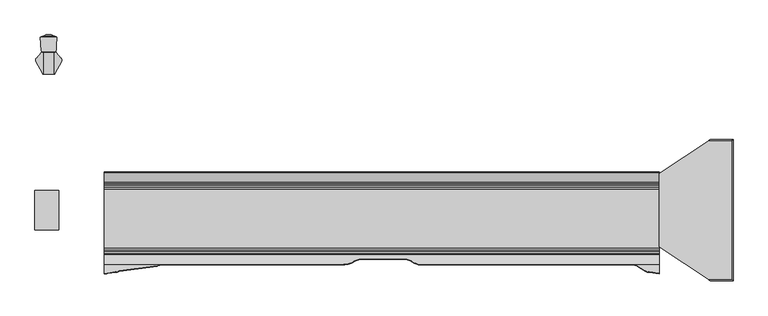
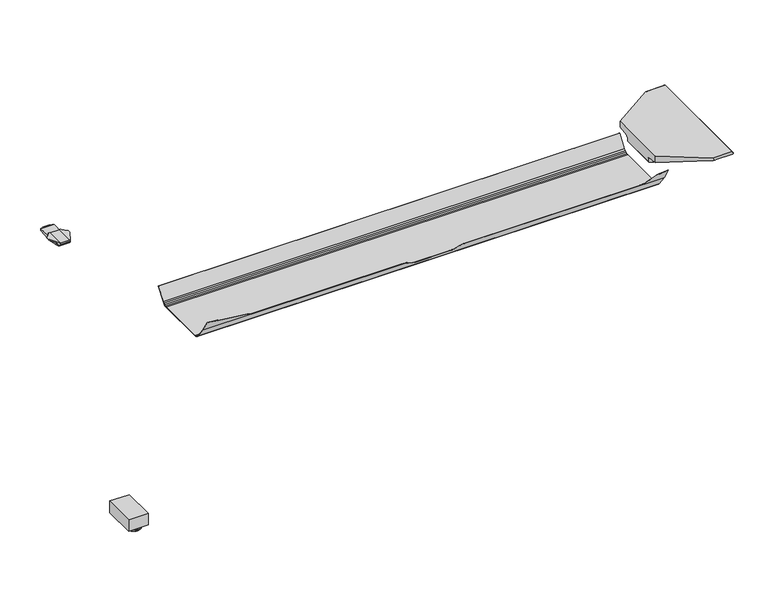
"""IFC4 building model written with IfcOpenShell, lengths in millimetres: furniture geometry."""

from ifc_helpers import new_model, si_unit, frame, origin, place, context, project, spatial, polyline, circle_curve, ellipse_curve, outline, extrude, faceted_brep, source, transform, mapped, element, save
from ifc_brep_helpers import plane_surface, cylinder_surface, revolved_surface, advanced_brep


def furniture_1ae874f6(model_context):
    return source(origin(), model_context, "Body", "SolidModel", [
        advanced_brep(
        [(-677.6331697, 1035.3629107, 694.0296), (-677.6331697, 1035.3629107, 686.7807819), (-676.51166, 1035.3629107, 686.7073914), (-676.51166, 1035.3629107, 694.0296), (-673.3278093, 1090.8360481, 690.3434106), (-673.4778673, 1090.8360481, 688.0503138), (-673.8572398, 1090.8360481, 686.5336886), (-677.6331697, 1090.8360481, 686.7807819), (-677.6331697, 1090.8360481, 694.0296), (-672.9573081, 1090.8360481, 694.0296), (-672.9573081, 1090.8360481, 690.6899631), (-659.2556977, 1066.9139785, 694.0296), (-659.2556977, 1072.0993978, 694.0296), (-661.1637879, 1075.6879936, 694.0296), (-672.9573081, 1088.886351, 694.0296), (-659.5338057, 1066.4054815, 693.0797307), (-659.5338057, 1073.0132231, 693.0797307), (-660.124758, 1065.3249752, 692.2860291), (-660.124758, 1074.2706722, 692.2860291), (-661.0021754, 1063.7206918, 691.7477625), (-661.0021754, 1075.5058073, 691.7477625), (-663.834924, 1058.5412505, 691.5301886), (-663.834924, 1078.6773138, 691.5301886), (-661.1637879, 1075.6879936, 691.7353496), (-672.05964, 1043.5030529, 691.5296072), (-672.05964, 1087.8817532, 691.5296072), (-673.3278093, 1041.1843125, 690.3434106), (-672.9573081, 1088.886351, 690.6899631), (-673.4778673, 1040.9099441, 688.0503138), (-673.8572398, 1040.2162936, 686.5336886)],
        [
            (0, 1),
            (1, 2),
            (2, 3),
            (3, 0),
            (4, 5),
            (5, 6),
            (6, 7),
            (7, 8),
            (8, 9),
            (9, 10),
            (10, 4),
            (8, 0),
            (3, 11),
            (11, 12),
            (12, 13, circle_curve(frame((-667.1824137, 1070.1862608, 694.0296), z_axis=(0.0, 0.0, 1.0), x_axis=(-1.0000000000000004, 0.0, 0.0)), 8.1543192)),
            (13, 14),
            (14, 9),
            (11, 15),
            (15, 16),
            (16, 12, ellipse_curve(frame((-667.1824137, 1070.1862608, 666.9561466), z_axis=(0.9597108497777287, 0.0, -0.28098947456961787), x_axis=(-0.28098947456961787, 0.0, -0.9597108497777287)), 29.0200165, 8.1543192)),
            (15, 17),
            (17, 18),
            (18, 16, ellipse_curve(frame((-667.1824137, 1070.1862608, 682.8069691), z_axis=(0.8020925083963487, 0.0, -0.5971998057387943), x_axis=(-0.5971998057387944, 0.0, -0.8020925083963485)), 13.6542563, 8.1543192)),
            (17, 19),
            (19, 20),
            (20, 18, ellipse_curve(frame((-667.1824137, 1070.1862608, 687.9563905), z_axis=(0.5229113139159308, 0.0, -0.8523870938597763), x_axis=(-0.8523870938597765, 0.0, -0.5229113139159306)), 9.5664508, 8.1543192)),
            (19, 21),
            (21, 22),
            (22, 23),
            (23, 20, ellipse_curve(frame((-667.1824137, 1070.1862608, 691.2730791), z_axis=(0.07658109560408619, 0.0, -0.9970633559589269), x_axis=(-0.9970633559589269, 0.0, -0.07658109560408602)), 8.178336, 8.1543192)),
            (21, 24),
            (24, 25),
            (25, 22),
            (26, 4),
            (10, 27),
            (27, 25),
            (24, 26),
            (26, 28),
            (28, 5),
            (28, 29),
            (29, 6),
            (29, 2),
            (1, 7),
            (27, 14),
            (13, 23),
        ],
        [
            plane_surface(frame((-677.6331697, 1035.3629107, 686.6122475), z_axis=(0.0, -1.0, 0.0), x_axis=(0.0, 0.0, -1.0))),
            plane_surface(frame((-677.6331697, 1090.8360481, 686.6122475), z_axis=(0.0, 1.0, 0.0), x_axis=(0.0, 0.0, 1.0))),
            plane_surface(frame((-659.2556977, 1035.3629107, 694.0296), z_axis=(0.0, 0.0, 1.0), x_axis=(0.0, 1.0, 0.0))),
            plane_surface(frame((-659.5338057, 1035.3629107, 693.0797307), z_axis=(0.9597108497777287, 0.0, -0.28098947456961787), x_axis=(0.0, 1.0, 0.0))),
            plane_surface(frame((-660.124758, 1035.3629107, 692.2860291), z_axis=(0.8020925083963485, 0.0, -0.5971998057387942), x_axis=(0.0, 1.0, 0.0))),
            plane_surface(frame((-661.0021754, 1035.3629107, 691.7477625), z_axis=(0.5229113139159308, 0.0, -0.8523870938597763), x_axis=(0.0, 1.0, 0.0))),
            plane_surface(frame((-663.834924, 1035.3629107, 691.5301886), z_axis=(0.07658109560408619, 0.0, -0.9970633559589269), x_axis=(0.0, 1.0, 0.0))),
            plane_surface(frame((-672.05964, 1035.3629107, 691.5296072), z_axis=(7.068449081192282e-05, 0.0, -0.9999999975018514), x_axis=(0.0, 1.0, 0.0))),
            plane_surface(frame((-673.3278093, 1035.3629107, 690.3434106), z_axis=(0.6831094450823832, 0.0, -0.7303160179259652), x_axis=(0.0, 1.0, 0.0))),
            plane_surface(frame((-673.4778673, 1035.3629107, 688.0503138), z_axis=(0.9978657180161974, 0.0, -0.06529937831265216), x_axis=(0.0, 1.0, 0.0))),
            plane_surface(frame((-673.8572398, 1035.3629107, 686.5336886), z_axis=(0.9701099565798296, 0.0, -0.24266576220118338), x_axis=(0.0, 1.0, 0.0))),
            plane_surface(frame((-677.6331697, 1035.3629107, 686.7807819), z_axis=(-0.0652993783126831, 0.0, -0.9978657180161954), x_axis=(0.0, 1.0, 0.0))),
            plane_surface(frame((-677.6331697, 1035.3629107, 694.0296), z_axis=(-1.0, 0.0, 0.0), x_axis=(0.0, 1.0, 0.0))),
            plane_surface(frame((-658.8963549, 1067.5710064, 723.9510045), z_axis=(0.8773539056662253, -0.47984385399025414, 0.0), x_axis=(0.0, 0.0, -1.0))),
            plane_surface(frame((-672.9573081, 1088.886351, 700.8234547), z_axis=(0.7456773398656502, 0.6663072150373937, 0.0), x_axis=(0.0, 0.0, -1.0))),
            plane_surface(frame((-672.9573081, 1092.0626773, 700.8234547), z_axis=(1.0, 0.0, 0.0), x_axis=(0.0, 0.0, -1.0))),
            cylinder_surface(frame((-667.1824137, 1070.1862608, 1.4760878), z_axis=(0.0, 0.0, -1.0), x_axis=(-1.0000000000000004, 0.0, 0.0)), 8.1543192),
        ],
        [
            (0, [[1, 2, 3, 4]]),
            (1, [[5, 6, 7, 8, 9, 10, 11]]),
            (2, [[12, -4, 13, 14, 15, 16, 17, -9]]),
            (3, [[18, 19, 20, -14]]),
            (4, [[21, 22, 23, -19]]),
            (5, [[24, 25, 26, -22]]),
            (6, [[27, 28, 29, 30, -25]]),
            (7, [[31, 32, 33, -28]]),
            (8, [[34, -11, 35, 36, -32, 37]]),
            (9, [[-5, -34, 38, 39]]),
            (10, [[-6, -39, 40, 41]]),
            (11, [[-7, -41, 42, -2, 43]]),
            (12, [[-1, -12, -8, -43]]),
            (13, [[-3, -42, -40, -38, -37, -31, -27, -24, -21, -18, -13]]),
            (14, [[44, -16, 45, -29, -33, -36]]),
            (15, [[-44, -35, -10, -17]]),
            (16, [[-15, -20, -23, -26, -30, -45]]),
        ],
    ),
        advanced_brep(
        [(-706.2096303, 1035.3629107, 686.7807819), (-706.2096303, 1035.3629107, 694.0296), (-707.33114, 1035.3629107, 694.0296), (-707.33114, 1035.3629107, 686.7073914), (-706.2096303, 1090.8360481, 694.0296), (-706.2096303, 1090.8360481, 686.7807819), (-709.9855602, 1090.8360481, 686.5336886), (-710.3649327, 1090.8360481, 688.0503138), (-710.5149907, 1090.8360481, 690.3434106), (-710.8854919, 1090.8360481, 690.6899631), (-710.8854919, 1090.8360481, 694.0296), (-710.8854919, 1088.886351, 694.0296), (-722.6790121, 1075.6879936, 694.0296), (-724.5871023, 1072.0993978, 694.0296), (-724.5871023, 1066.9139785, 694.0296), (-724.3089943, 1066.4054815, 693.0797307), (-724.3089943, 1073.0132231, 693.0797307), (-723.718042, 1065.3249752, 692.2860291), (-723.718042, 1074.2706722, 692.2860291), (-722.8406246, 1063.7206918, 691.7477625), (-722.8406246, 1075.5058073, 691.7477625), (-720.007876, 1058.5412505, 691.5301886), (-722.6790121, 1075.6879936, 691.7353496), (-720.007876, 1078.6773138, 691.5301886), (-711.78316, 1043.5030529, 691.5296072), (-711.78316, 1087.8817532, 691.5296072), (-710.5149907, 1041.1843125, 690.3434106), (-710.8854919, 1088.886351, 690.6899631), (-710.3649327, 1040.9099441, 688.0503138), (-709.9855602, 1040.2162936, 686.5336886)],
        [
            (0, 1),
            (1, 2),
            (2, 3),
            (3, 0),
            (4, 5),
            (5, 6),
            (6, 7),
            (7, 8),
            (8, 9),
            (9, 10),
            (10, 4),
            (1, 4),
            (10, 11),
            (11, 12),
            (12, 13, circle_curve(frame((-716.6603863, 1070.1862608, 694.0296), z_axis=(0.0, 0.0, 1.0), x_axis=(1.0000000000000004, 0.0, 0.0)), 8.1543192)),
            (13, 14),
            (14, 2),
            (15, 14),
            (13, 16, ellipse_curve(frame((-716.6603863, 1070.1862608, 666.9561466), z_axis=(-0.9597108497777287, 0.0, -0.28098947456961787), x_axis=(0.28098947456961787, 0.0, -0.9597108497777287)), 29.0200165, 8.1543192)),
            (16, 15),
            (17, 15),
            (16, 18, ellipse_curve(frame((-716.6603863, 1070.1862608, 682.8069691), z_axis=(-0.8020925083963487, 0.0, -0.5971998057387943), x_axis=(0.5971998057387944, 0.0, -0.8020925083963485)), 13.6542563, 8.1543192)),
            (18, 17),
            (19, 17),
            (18, 20, ellipse_curve(frame((-716.6603863, 1070.1862608, 687.9563905), z_axis=(-0.5229113139159308, 0.0, -0.8523870938597763), x_axis=(0.8523870938597765, 0.0, -0.5229113139159306)), 9.5664508, 8.1543192)),
            (20, 19),
            (21, 19),
            (20, 22, ellipse_curve(frame((-716.6603863, 1070.1862608, 691.2730791), z_axis=(-0.07658109560408913, 0.0, -0.9970633559589267), x_axis=(0.9970633559589267, 0.0, -0.07658109560408889)), 8.178336, 8.1543192)),
            (22, 23),
            (23, 21),
            (24, 21),
            (23, 25),
            (25, 24),
            (8, 26),
            (26, 24),
            (25, 27),
            (27, 9),
            (7, 28),
            (28, 26),
            (6, 29),
            (29, 28),
            (5, 0),
            (3, 29),
            (11, 27),
            (22, 12),
        ],
        [
            plane_surface(frame((-708.2451645, 1035.3629107, 694.0296), z_axis=(0.0, -1.0, 0.0), x_axis=(-1.0, 0.0, 0.0))),
            plane_surface(frame((-708.2451645, 1090.8360481, 694.0296), z_axis=(0.0, 1.0, 0.0), x_axis=(1.0, 0.0, 0.0))),
            plane_surface(frame((-706.2096303, 1035.3629107, 694.0296), z_axis=(0.0, 0.0, 1.0), x_axis=(0.0, 1.0, 0.0))),
            plane_surface(frame((-724.5871023, 1035.3629107, 694.0296), z_axis=(-0.9597108497777287, 0.0, -0.28098947456961787), x_axis=(0.0, 1.0, 0.0))),
            plane_surface(frame((-724.3089943, 1035.3629107, 693.0797307), z_axis=(-0.8020925083963485, 0.0, -0.5971998057387942), x_axis=(0.0, 1.0, 0.0))),
            plane_surface(frame((-723.718042, 1035.3629107, 692.2860291), z_axis=(-0.5229113139159308, 0.0, -0.8523870938597763), x_axis=(0.0, 1.0, 0.0))),
            plane_surface(frame((-722.8406246, 1035.3629107, 691.7477625), z_axis=(-0.07658109560408913, 0.0, -0.9970633559589267), x_axis=(0.0, 1.0, 0.0))),
            plane_surface(frame((-720.007876, 1035.3629107, 691.5301886), z_axis=(-7.068449081192188e-05, 0.0, -0.9999999975018514), x_axis=(0.0, 1.0, 0.0))),
            plane_surface(frame((-711.78316, 1035.3629107, 691.5296072), z_axis=(-0.683109445082383, 0.0, -0.7303160179259655), x_axis=(0.0, 1.0, 0.0))),
            plane_surface(frame((-710.5149907, 1035.3629107, 690.3434106), z_axis=(-0.9978657180161974, 0.0, -0.06529937831265216), x_axis=(0.0, 1.0, 0.0))),
            plane_surface(frame((-710.3649327, 1035.3629107, 688.0503138), z_axis=(-0.9701099565798296, 0.0, -0.24266576220118338), x_axis=(0.0, 1.0, 0.0))),
            plane_surface(frame((-709.9855602, 1035.3629107, 686.5336886), z_axis=(0.06529937831268308, 0.0, -0.9978657180161954), x_axis=(0.0, 1.0, 0.0))),
            plane_surface(frame((-706.2096303, 1035.3629107, 686.7807819), z_axis=(1.0, 0.0, 0.0), x_axis=(0.0, 1.0, 0.0))),
            plane_surface(frame((-707.33114, 1035.3629107, 723.9510045), z_axis=(-0.8773539056662313, -0.47984385399024304, 0.0), x_axis=(0.0, 0.0, -1.0))),
            plane_surface(frame((-722.6790121, 1075.6879936, 700.8234547), z_axis=(-0.7456773398656418, 0.6663072150374032, 0.0), x_axis=(0.0, 0.0, -1.0))),
            plane_surface(frame((-710.8854919, 1088.886351, 700.8234547), z_axis=(-1.0, 0.0, 0.0), x_axis=(0.0, 0.0, -1.0))),
            cylinder_surface(frame((-716.6603863, 1070.1862608, 1.4760878), z_axis=(0.0, 0.0, -1.0), x_axis=(1.0000000000000004, 0.0, 0.0)), 8.1543192),
        ],
        [
            (0, [[1, 2, 3, 4]]),
            (1, [[5, 6, 7, 8, 9, 10, 11]]),
            (2, [[12, -11, 13, 14, 15, 16, 17, -2]]),
            (3, [[18, -16, 19, 20]]),
            (4, [[21, -20, 22, 23]]),
            (5, [[24, -23, 25, 26]]),
            (6, [[27, -26, 28, 29, 30]]),
            (7, [[31, -30, 32, 33]]),
            (8, [[34, 35, -33, 36, 37, -9]]),
            (9, [[-8, 38, 39, -34]]),
            (10, [[-7, 40, 41, -38]]),
            (11, [[-6, 42, -4, 43, -40]]),
            (12, [[-1, -42, -5, -12]]),
            (13, [[-3, -17, -18, -21, -24, -27, -31, -35, -39, -41, -43]]),
            (14, [[44, -36, -32, -29, 45, -14]]),
            (15, [[-44, -13, -10, -37]]),
            (16, [[-15, -45, -28, -25, -22, -19]]),
        ],
    ),
        advanced_brep(
        [(-675.4317452, 1071.8221315, 674.5336243), (-675.4317452, 1075.69635, 673.7476984), (-675.4317452, 1077.8255805, 673.4744593), (-675.4317452, 1079.7968627, 673.3319535), (-675.4317452, 1081.8293332, 673.3469235), (-675.4317452, 1083.8692159, 673.5954548), (-675.4317452, 1091.5328833, 686.6122475), (-675.4317452, 1090.6843523, 694.0296), (-675.4317452, 1054.9216797, 694.0296), (-675.4317452, 1054.9216797, 678.5692428), (-708.2451645, 1090.6843523, 694.0296), (-708.2451645, 1091.5328833, 686.6122475), (-708.2451645, 1083.8692159, 673.5954548), (-708.2451645, 1081.8293332, 673.3469235), (-708.2451645, 1079.7968627, 673.3319535), (-708.2451645, 1077.8255805, 673.4744593), (-708.2451645, 1075.69635, 673.7476984), (-708.2451645, 1071.8221315, 674.5336243), (-708.2451645, 1056.025686, 678.3056198), (-708.2451645, 1056.025686, 694.0296), (-707.3063131, 1035.6569826, 694.0296), (-705.6193974, 1034.3300886, 694.0296), (-678.0066255, 1034.3300886, 694.0296), (-676.3197098, 1035.6569826, 694.0296), (-706.4875126, 1034.5633955, 690.6933211), (-677.1385102, 1034.5633955, 690.6933211), (-706.8291096, 1034.8218463, 689.098215), (-676.7969133, 1034.8218463, 689.098215), (-707.1802739, 1035.3072455, 687.5746161), (-676.445749, 1035.3072455, 687.5746161), (-707.3063131, 1035.6569826, 686.8818029), (-707.3229046, 1036.0169405, 686.1687426), (-676.3031183, 1036.0169405, 686.1687426), (-676.3197098, 1035.6569826, 686.8818029), (-707.3646804, 1036.9232806, 684.9103165), (-676.2613425, 1036.9232806, 684.9103165), (-707.4167075, 1038.0520271, 683.7736853), (-676.2093154, 1038.0520271, 683.7736853), (-707.541025, 1040.7491372, 682.1070719), (-676.0849979, 1040.7491372, 682.1070719), (-707.6116573, 1042.2815291, 681.5875542), (-676.0143656, 1042.2815291, 681.5875542)],
        [
            (0, 1),
            (1, 2),
            (2, 3),
            (3, 4),
            (4, 5),
            (5, 6),
            (6, 7),
            (7, 8),
            (8, 9),
            (9, 0),
            (10, 11),
            (11, 12),
            (12, 13),
            (13, 14),
            (14, 15),
            (15, 16),
            (16, 17),
            (17, 18),
            (18, 19),
            (19, 10),
            (7, 10),
            (19, 20),
            (20, 21, circle_curve(frame((-705.6177592, 1036.0679286, 694.0296), z_axis=(0.0, 0.0, 1.0), x_axis=(1.0000000000000004, 0.0, 0.0)), 1.7378408)),
            (21, 22),
            (22, 23, circle_curve(frame((-678.0082636, 1036.0679286, 694.0296), z_axis=(0.0, 0.0, 1.0), x_axis=(-1.0000000000000004, 0.0, 0.0)), 1.7378408)),
            (23, 8),
            (21, 24, ellipse_curve(frame((-705.6177592, 1036.0679286, 669.1785681), z_axis=(0.0, -0.997563808233696, -0.06975993479273002), x_axis=(0.0, 0.06975993479273002, -0.997563808233696)), 24.9117327, 1.7378408)),
            (24, 25),
            (25, 22, ellipse_curve(frame((-678.0082636, 1036.0679286, 669.1785681), z_axis=(0.0, -0.997563808233696, -0.06975993479273002), x_axis=(0.0, 0.06975993479273002, -0.997563808233696)), 24.9117327, 1.7378408)),
            (24, 26, ellipse_curve(frame((-705.6177592, 1036.0679286, 681.4076466), z_axis=(0.0, -0.9871264986508672, -0.15994147573809486), x_axis=(0.0, 0.15994147573809486, -0.9871264986508672)), 10.8654796, 1.7378408)),
            (26, 27),
            (27, 25, ellipse_curve(frame((-678.0082636, 1036.0679286, 681.4076466), z_axis=(0.0, -0.9871264986508672, -0.15994147573809486), x_axis=(0.0, 0.15994147573809486, -0.9871264986508672)), 10.8654796, 1.7378408)),
            (26, 28, ellipse_curve(frame((-705.6177592, 1036.0679286, 685.1869399), z_axis=(0.0, -0.9528141049574114, -0.3035544125757477), x_axis=(0.0, 0.3035544125757477, -0.9528141049574111)), 5.7249731, 1.7378408)),
            (28, 29),
            (29, 27, ellipse_curve(frame((-678.0082636, 1036.0679286, 685.1869399), z_axis=(0.0, -0.9528141049574114, -0.3035544125757477), x_axis=(0.0, 0.3035544125757477, -0.9528141049574111)), 5.7249731, 1.7378408)),
            (30, 31),
            (31, 32),
            (32, 33),
            (33, 29, ellipse_curve(frame((-678.0082636, 1036.0679286, 686.0677375), z_axis=(0.0, -0.8927040411549354, -0.45064342323576334), x_axis=(0.0, 0.45064342323576334, -0.8927040411549354)), 3.8563546, 1.7378408)),
            (28, 30, ellipse_curve(frame((-705.6177592, 1036.0679286, 686.0677375), z_axis=(0.0, -0.8927040411549354, -0.45064342323576334), x_axis=(0.0, 0.45064342323576334, -0.8927040411549354)), 3.8563546, 1.7378408)),
            (31, 34),
            (34, 35),
            (35, 32),
            (34, 36),
            (36, 37),
            (37, 35),
            (36, 38),
            (38, 39),
            (39, 37),
            (38, 40),
            (40, 41),
            (41, 39),
            (17, 0),
            (9, 41),
            (40, 18),
            (16, 1),
            (15, 2),
            (14, 3),
            (13, 4),
            (12, 5),
            (11, 6),
            (30, 20),
            (23, 33),
        ],
        [
            plane_surface(frame((-675.4317452, 1076.1474125, 694.0296), z_axis=(1.0, 0.0, 0.0), x_axis=(0.0, -1.0, 0.0))),
            plane_surface(frame((-708.2451645, 1076.1474125, 694.0296), z_axis=(-1.0, 0.0, 0.0), x_axis=(0.0, 1.0, 0.0))),
            plane_surface(frame((-675.4317452, 1090.6843523, 694.0296), z_axis=(0.0, 0.0, 1.0), x_axis=(-1.0, 0.0, 0.0))),
            plane_surface(frame((-675.4317452, 1034.3300886, 694.0296), z_axis=(0.0, -0.997563808233696, -0.06975993479273002), x_axis=(-1.0, 0.0, 0.0))),
            plane_surface(frame((-675.4317452, 1034.5633955, 690.6933211), z_axis=(0.0, -0.9871264986508672, -0.15994147573809486), x_axis=(-1.0, 0.0, 0.0))),
            plane_surface(frame((-675.4317452, 1034.8218463, 689.098215), z_axis=(0.0, -0.9528141049574114, -0.3035544125757477), x_axis=(-1.0, 0.0, 0.0))),
            plane_surface(frame((-675.4317452, 1035.3072455, 687.5746161), z_axis=(0.0, -0.8927040411549354, -0.45064342323576334), x_axis=(-1.0, 0.0, 0.0))),
            plane_surface(frame((-675.4317452, 1036.0169405, 686.1687426), z_axis=(0.0, -0.8114507875380343, -0.5844207554526992), x_axis=(-1.0, 0.0, 0.0))),
            plane_surface(frame((-675.4317452, 1036.9232806, 684.9103165), z_axis=(0.0, -0.7095635828811538, -0.704641413662907), x_axis=(-1.0, 0.0, 0.0))),
            plane_surface(frame((-675.4317452, 1038.0520271, 683.7736853), z_axis=(0.0, -0.5256643953018257, -0.8506920379972802), x_axis=(-1.0, 0.0, 0.0))),
            plane_surface(frame((-675.4317452, 1040.7491372, 682.1070719), z_axis=(0.0, -0.32107410172322687, -0.9470540751206464), x_axis=(-1.0, 0.0, 0.0))),
            plane_surface(frame((-675.4317452, 1042.2815291, 681.5875542), z_axis=(0.0, -0.23225778917580214, -0.9726542650742702), x_axis=(-1.0, 0.0, 0.0))),
            plane_surface(frame((-675.4317452, 1071.8221315, 674.5336243), z_axis=(0.0, -0.1988109622365402, -0.9800378570721546), x_axis=(-1.0, 0.0, 0.0))),
            plane_surface(frame((-675.4317452, 1075.69635, 673.7476984), z_axis=(0.0, -0.12728387031952282, -0.9918663298834591), x_axis=(-1.0, 0.0, 0.0))),
            plane_surface(frame((-675.4317452, 1077.8255805, 673.4744593), z_axis=(0.0, -0.07210277493300893, -0.997397207659496), x_axis=(-1.0, 0.0, 0.0))),
            plane_surface(frame((-675.4317452, 1079.7968627, 673.3319535), z_axis=(0.0, 0.007365229187275849, -0.9999728763316628), x_axis=(-1.0, 0.0, 0.0))),
            plane_surface(frame((-675.4317452, 1081.8293332, 673.3469235), z_axis=(0.0, 0.12094176610084176, -0.992659603898743), x_axis=(-1.0, 0.0, 0.0))),
            plane_surface(frame((-675.4317452, 1083.8692159, 673.5954548), z_axis=(0.0, 0.8617394273144984, -0.5073511204399574), x_axis=(-1.0, 0.0, 0.0))),
            plane_surface(frame((-675.4317452, 1091.5328833, 686.6122475), z_axis=(0.0, 0.9935200698495489, 0.11365681152551964), x_axis=(-1.0, 0.0, 0.0))),
            plane_surface(frame((-707.3063131, 1035.6569826, 707.5184518), z_axis=(-0.9989394147117109, -0.04604395438518194, 0.0), x_axis=(0.0, 0.0, -1.0))),
            cylinder_surface(frame((-705.6177592, 1036.0679286, 664.7059687), z_axis=(0.0, 0.0, -1.0), x_axis=(1.0000000000000004, 0.0, 0.0)), 1.7378408),
            plane_surface(frame((-673.6404627, 1093.7841689, 707.5184518), z_axis=(0.9989394147117103, -0.046043954385194555, 0.0), x_axis=(0.0, 0.0, -1.0))),
            cylinder_surface(frame((-678.0082636, 1036.0679286, 664.7059687), z_axis=(0.0, 0.0, -1.0), x_axis=(-1.0000000000000004, 0.0, 0.0)), 1.7378408),
        ],
        [
            (0, [[1, 2, 3, 4, 5, 6, 7, 8, 9, 10]]),
            (1, [[11, 12, 13, 14, 15, 16, 17, 18, 19, 20]]),
            (2, [[21, -20, 22, 23, 24, 25, 26, -8]]),
            (3, [[27, 28, 29, -24]]),
            (4, [[30, 31, 32, -28]]),
            (5, [[33, 34, 35, -31]]),
            (6, [[36, 37, 38, 39, -34, 40]]),
            (7, [[41, 42, 43, -37]]),
            (8, [[44, 45, 46, -42]]),
            (9, [[47, 48, 49, -45]]),
            (10, [[50, 51, 52, -48]]),
            (11, [[53, -10, 54, -51, 55, -18]]),
            (12, [[-1, -53, -17, 56]]),
            (13, [[-2, -56, -16, 57]]),
            (14, [[-3, -57, -15, 58]]),
            (15, [[-4, -58, -14, 59]]),
            (16, [[-5, -59, -13, 60]]),
            (17, [[-6, -60, -12, 61]]),
            (18, [[-7, -61, -11, -21]]),
            (19, [[62, -22, -19, -55, -50, -47, -44, -41, -36]]),
            (20, [[-62, -40, -33, -30, -27, -23]]),
            (21, [[63, -38, -43, -46, -49, -52, -54, -9, -26]]),
            (22, [[-63, -25, -29, -32, -35, -39]]),
        ],
    ),
        faceted_brep([(-674.201947, 1080.6280076, 686.044488), (-674.0056147, 1083.5645158, 686.8903046), (-709.5145074, 1083.5645158, 686.8903046), (-709.3791554, 1080.6280076, 686.044488), (-674.3465732, 1078.4648583, 684.1507699), (-709.2794497, 1078.4648583, 684.1507699), (-674.4145724, 1077.4478055, 681.8837571), (-709.2325708, 1077.4478055, 681.8837571), (-674.4293768, 1077.2263801, 680.5487368), (-709.2223647, 1077.2263801, 680.5487368), (-674.4261142, 1077.275178, 679.266911), (-709.2246139, 1077.275178, 679.266911), (-674.4106539, 1077.5064139, 677.9856665), (-709.2352722, 1077.5064139, 677.9856665), (-674.3493839, 1078.4228187, 676.147552), (-709.2775119, 1078.4228187, 676.147552), (-674.2326986, 1080.168061, 674.4888596), (-709.3579551, 1080.168061, 674.4888596), (-674.0544858, 1082.8335597, 673.4638495), (-709.4808155, 1082.8335597, 673.4638495), (-673.962786, 1084.2050966, 673.3923422), (-709.5440336, 1084.2050966, 673.3923422), (-671.0473822, 1127.8102838, 680.0595952), (-709.9855602, 1093.7841689, 674.8569867), (-710.5204622, 1093.7841689, 674.8569867), (-712.7954178, 1127.8102838, 680.0595952), (-671.0040016, 1128.4591207, 680.1595153), (-712.8387984, 1128.4591207, 680.1595153), (-711.416104, 1129.5267851, 680.3239343), (-708.0218056, 1130.7760911, 680.516326), (-675.8209944, 1130.7760911, 680.516326), (-672.426696, 1129.5267851, 680.3239343), (-681.0962098, 1132.7176878, 680.8136916), (-702.7465902, 1132.7176878, 680.8136916), (-685.3723762, 1134.2915742, 681.9486514), (-698.4704238, 1134.2915742, 681.9486514), (-685.0005958, 1134.1547367, 684.2460402), (-698.8422042, 1134.1547367, 684.2460402), (-680.5815491, 1132.5282616, 685.1806857), (-703.2612509, 1132.5282616, 685.1806857), (-673.1840778, 1129.8055472, 685.2767186), (-710.6587222, 1129.8055472, 685.2767186), (-671.0040016, 1128.4591207, 685.3237023), (-672.426696, 1129.5267851, 685.286446), (-711.416104, 1129.5267851, 685.286446), (-712.8387984, 1128.4591207, 685.3237023), (-710.5204622, 1093.7841689, 686.5336886), (-709.9855602, 1093.7841689, 686.5336886)], [[[0, 1, 2, 3]], [[4, 0, 3, 5]], [[6, 4, 5, 7]], [[8, 6, 7, 9]], [[10, 8, 9, 11]], [[12, 10, 11, 13]], [[14, 12, 13, 15]], [[16, 14, 15, 17]], [[18, 16, 17, 19]], [[20, 18, 19, 21]], [[22, 20, 21, 23, 24, 25]], [[26, 22, 25, 27, 28, 29, 30, 31]], [[32, 30, 29, 33]], [[34, 32, 33, 35]], [[36, 34, 35, 37]], [[38, 36, 37, 39]], [[40, 38, 39, 41]], [[1, 42, 43, 40, 41, 44, 45, 46, 47, 2]], [[26, 42, 1, 0, 4, 6, 8, 10, 12, 14, 16, 18, 20, 22]], [[43, 31, 30, 32, 34, 36, 38, 40]], [[42, 26, 31, 43]], [[47, 23, 21, 19, 17, 15, 13, 11, 9, 7, 5, 3, 2]], [[23, 47, 46, 24]], [[45, 27, 25, 24, 46]], [[28, 44, 41, 39, 37, 35, 33, 29]], [[44, 28, 27, 45]]]),
        advanced_brep(
        [(-696.976, 671.3030475, 10.2361894), (-696.976, 657.2832975, 10.2361894), (-696.976, 657.6704727, 8.7946116), (-696.976, 670.9158723, 8.7946116), (-696.976, 664.2931725, 10.2361894), (-696.976, 685.2500609, 0.0), (-696.976, 643.3362842, 0.0), (-696.976, 664.2931725, 0.0), (-696.976, 686.7937912, 1.5436985), (-696.976, 641.7925538, 1.5436985), (-696.976, 686.7937365, 4.1072626), (-696.976, 641.7926085, 4.1072626), (-696.976, 685.2538961, 5.9174378), (-696.976, 643.3324489, 5.9174378)],
        [
            (0, 1, circle_curve(frame((-696.976, 664.2931725, 10.2361894), z_axis=(0.0, 0.0, -1.0), x_axis=(0.0, -1.0000000000000004, 0.0)), 7.009875)),
            (1, 2),
            (2, 3, circle_curve(frame((-696.976, 664.2931725, 8.7946116), z_axis=(0.0, 0.0, 1.0), x_axis=(0.0, -1.0000000000000004, 0.0)), 6.6226998)),
            (3, 0),
            (1, 0, circle_curve(frame((-696.976, 664.2931725, 10.2361894), z_axis=(0.0, 0.0, -1.0), x_axis=(0.0, -1.0000000000000004, 0.0)), 7.009875)),
            (3, 2, circle_curve(frame((-696.976, 664.2931725, 8.7946116), z_axis=(0.0, 0.0, 1.0), x_axis=(0.0, -1.0000000000000004, 0.0)), 6.6226998)),
            (4, 1),
            (0, 4),
            (5, 6, circle_curve(frame((-696.976, 664.2931725, 0.0), z_axis=(0.0, 0.0, -1.0), x_axis=(0.0, -1.0000000000000004, 0.0)), 20.9568884)),
            (6, 7),
            (7, 5),
            (6, 5, circle_curve(frame((-696.976, 664.2931725, 0.0), z_axis=(0.0, 0.0, -1.0), x_axis=(0.0, -1.0000000000000004, 0.0)), 20.9568884)),
            (8, 9, circle_curve(frame((-696.976, 664.2931725, 1.5436985), z_axis=(0.0, 0.0, -1.0), x_axis=(0.0, -1.0000000000000004, 0.0)), 22.5006187)),
            (9, 6),
            (5, 8),
            (9, 8, circle_curve(frame((-696.976, 664.2931725, 1.5436985), z_axis=(0.0, 0.0, -1.0), x_axis=(0.0, -1.0000000000000004, 0.0)), 22.5006187)),
            (10, 11, circle_curve(frame((-696.976, 664.2931725, 4.1072626), z_axis=(0.0, 0.0, -1.0), x_axis=(0.0, -1.0000000000000004, 0.0)), 22.500564)),
            (11, 9),
            (8, 10),
            (11, 10, circle_curve(frame((-696.976, 664.2931725, 4.1072626), z_axis=(0.0, 0.0, -1.0), x_axis=(0.0, -1.0000000000000004, 0.0)), 22.500564)),
            (12, 13, circle_curve(frame((-696.976, 664.2931725, 5.9174378), z_axis=(0.0, 0.0, -1.0), x_axis=(0.0, -1.0000000000000004, 0.0)), 20.9607236)),
            (13, 11),
            (10, 12),
            (13, 12, circle_curve(frame((-696.976, 664.2931725, 5.9174378), z_axis=(0.0, 0.0, -1.0), x_axis=(0.0, -1.0000000000000004, 0.0)), 20.9607236)),
            (2, 13),
            (12, 3),
        ],
        [
            revolved_surface(polyline([(-696.976, 657.6704727, 8.7946116), (-696.976, 657.2832975, 10.2361894)]), (-696.976, 664.2931725, 0.0), (0.0, 0.0, 1.0)),
            plane_surface(frame((-696.976, 664.2931725, 10.2361894), z_axis=(0.0, 0.0, 1.0), x_axis=(0.0, -1.0, 0.0))),
            plane_surface(frame((-696.976, 664.2931725, 0.0), z_axis=(0.0, 0.0, -1.0), x_axis=(0.0, -1.0, 0.0))),
            revolved_surface(polyline([(-696.976, 643.3362842, 0.0), (-696.976, 641.7925538, 1.5436985)]), (-696.976, 664.2931725, 0.0), (0.0, 0.0, 1.0)),
            cylinder_surface(frame((-696.976, 664.2931725, 0.0), z_axis=(0.0, 0.0, 1.0), x_axis=(0.0, -1.0000000000000004, 0.0)), 22.500564),
            revolved_surface(polyline([(-696.976, 641.792463, 4.1072626), (-696.976, 643.3324489, 5.9174378)]), (-696.976, 664.2931725, 0.0), (0.0, 0.0, 1.0)),
            revolved_surface(polyline([(-696.976, 643.3324489, 5.9174378), (-696.976, 657.6704727, 8.7946116)]), (-696.976, 664.2931725, 0.0), (0.0, 0.0, 1.0)),
        ],
        [
            (0, [[1, 2, 3, 4]]),
            (0, [[5, -4, 6, -2]]),
            (1, [[7, -1, 8]]),
            (1, [[-8, -5, -7]]),
            (2, [[9, 10, 11]]),
            (2, [[12, -11, -10]]),
            (3, [[13, 14, -9, 15]]),
            (3, [[16, -15, -12, -14]]),
            (4, [[17, 18, -13, 19]]),
            (4, [[20, -19, -16, -18]]),
            (5, [[21, 22, -17, 23]]),
            (5, [[24, -23, -20, -22]]),
            (6, [[-3, 25, -21, 26]]),
            (6, [[-6, -26, -24, -25]]),
        ],
    ),
        extrude(outline(polyline([(-667.0675, 738.9199959), (-667.0675, 639.5370001), (-726.8845, 639.5370001), (-726.8845, 738.9199959), (-667.0675, 738.9199959)])), frame((0.0, 0.0, 10.2361894), z_axis=(0.0, 0.0, 1.0), x_axis=(1.0, 0.0, 0.0)), (0.0, 0.0, 1.0), 37.8638679),
        faceted_brep([(856.0773962, 743.2522588, 609.1076648), (856.0773962, 748.3511664, 609.709227), (856.0773962, 753.179578, 611.4856084), (856.0773962, 757.4755731, 614.3514218), (856.0773962, 760.99538, 618.1620904), (856.0773962, 786.0990076, 652.8044526), (856.0773962, 785.360508, 653.3396068), (856.0773962, 760.2568895, 618.6972321), (856.0773962, 756.8835852, 615.0451295), (856.0773962, 752.7663947, 612.2986401), (856.0773962, 748.1389518, 610.5961641), (856.0773962, 743.2522588, 610.0196731), (856.0773962, 593.7736376, 610.0196731), (856.0773962, 588.8869809, 610.5961641), (856.0773962, 584.2595199, 612.2986401), (856.0773962, 580.1423112, 615.0451295), (856.0773962, 576.7689978, 618.6972321), (856.0773962, 551.6028741, 653.4258536), (856.0773962, 528.9092425, 690.1857011), (856.0773962, 527.840388, 690.1857011), (856.0773962, 550.8643926, 652.8907118), (856.0773962, 576.0305164, 618.1620904), (856.0773962, 579.5503324, 614.3514218), (856.0773962, 583.8463275, 611.4856084), (856.0773962, 588.6747573, 609.7091906), (856.0773962, 593.7736376, 609.1076648), (-551.4619573, 743.2522588, 609.1076648), (-551.4619573, 593.7736376, 609.1076648), (-551.4619573, 588.6747573, 609.7091906), (-551.4619573, 583.8463275, 611.4856084), (-551.4619573, 579.5503324, 614.3514218), (-551.4619573, 576.0305164, 618.1620904), (-551.4619573, 550.8643926, 652.8907118), (-551.4619573, 527.0840775, 691.410796), (-551.4619573, 528.1529322, 691.410796), (-551.4619573, 551.6028741, 653.4258536), (-551.4619573, 576.7689978, 618.6972321), (-551.4619573, 580.1423112, 615.0451295), (-551.4619573, 584.2595199, 612.2986401), (-551.4619573, 588.8869809, 610.5961641), (-551.4619573, 593.7736376, 610.0196731), (-551.4619573, 743.2522588, 610.0196731), (-551.4619573, 748.1389518, 610.5961641), (-551.4619573, 752.7663947, 612.2986401), (-551.4619573, 756.8835852, 615.0451295), (-551.4619573, 760.2568895, 618.6972321), (-551.4619573, 785.360508, 653.3396068), (-551.4619573, 786.0990076, 652.8044526), (-551.4619573, 760.99538, 618.1620904), (-551.4619573, 757.4755731, 614.3514218), (-551.4619573, 753.179578, 611.4856084), (-551.4619573, 748.3511664, 609.709227), (-405.8287306, 551.5397869, 653.5129122), (-404.9019992, 551.6028741, 653.4258536), (-401.4673689, 551.8366861, 653.1031989), (54.5237659, 551.8366861, 653.1031989), (68.0088831, 552.4282184, 652.286899), (71.7725473, 553.6086721, 650.6579024), (75.6215129, 555.4622116, 648.1000643), (86.1426004, 561.4407218, 639.8498698), (89.991566, 563.2942612, 637.2920317), (94.3829404, 564.6715403, 635.391421), (99.1477659, 565.5196881, 634.2209982), (104.1030593, 565.8060552, 633.8258189), (206.8117723, 565.8060552, 633.8258189), (211.7670657, 565.5196881, 634.2209982), (216.5319638, 564.6715403, 635.391421), (220.9232656, 563.2942612, 637.2920317), (224.7723039, 561.4407218, 639.8498698), (235.2933187, 555.4622116, 648.1000643), (239.142357, 553.6086721, 650.6579024), (244.7919689, 551.8366861, 653.1031989), (785.3231429, 551.8366861, 653.1031989), (788.7577733, 551.6028741, 653.4258536), (789.6845046, 551.5397869, 653.5129122), (793.8142671, 550.8037349, 654.720324), (797.4928943, 549.605542, 656.6611939), (800.525122, 548.0181204, 659.2325486), (820.7901641, 534.6038607, 680.9613822), (822.811625, 533.5455946, 682.6755944), (825.2640916, 532.7467694, 683.9695561), (828.0172666, 532.2498253, 684.7745215), (830.9248653, 532.0812313, 685.0476153), (-523.2690912, 532.0812313, 685.0476153), (-520.3614926, 532.2498253, 684.7745215), (-517.6083176, 532.7467694, 683.9695561), (-515.155851, 533.5455946, 682.6755944), (-513.1343901, 534.6038607, 680.9613822), (-416.669348, 548.0181204, 659.2325486), (-413.6371203, 549.605542, 656.6611939), (-409.9584931, 550.8037349, 654.720324), (830.9248653, 531.0123774, 685.0476153), (828.0172666, 531.1809714, 684.7745215), (825.2640916, 531.6779156, 683.9695561), (822.811625, 532.4767409, 682.6755944), (820.7901641, 533.5350072, 680.9613822), (800.525122, 546.9492694, 659.2325486), (797.4928943, 548.5366913, 656.6611939), (793.8142671, 549.7348843, 654.720324), (789.6845046, 550.4802781, 653.5129122), (785.3231429, 550.7332141, 653.1031989), (244.7919689, 550.7332141, 653.1031989), (244.3010389, 550.8643926, 652.8907118), (58.034011, 550.8643926, 652.8907118), (54.5237659, 550.7332141, 653.1031989), (-401.4673689, 550.7332141, 653.1031989), (-405.8287306, 550.4802781, 653.5129122), (-409.9584931, 549.7348843, 654.720324), (-413.6371203, 548.5366913, 656.6611939), (-416.669348, 546.9492694, 659.2325486), (-513.1343901, 533.5350072, 680.9613822), (-515.155851, 532.4767409, 682.6755944), (-517.6083176, 531.6779156, 683.9695561), (-520.3614926, 531.1809714, 684.7745215), (-523.2690912, 531.0123774, 685.0476153), (239.142357, 552.4823998, 650.6579024), (235.2933187, 554.3359392, 648.1000643), (224.7723039, 560.3144494, 639.8498698), (220.9232656, 562.1679888, 637.2920317), (216.5319638, 563.545268, 635.391421), (211.7670657, 564.3934157, 634.2209982), (206.8117723, 564.6797828, 633.8258189), (104.1030593, 564.6797828, 633.8258189), (99.1477659, 564.3934157, 634.2209982), (94.3829404, 563.545268, 635.391421), (89.991566, 562.1679888, 637.2920317), (86.1426004, 560.3144494, 639.8498698), (75.6215129, 554.3359392, 648.1000643), (71.7725473, 552.4823998, 650.6579024), (68.0088831, 551.3019461, 652.286899)], [[[0, 1, 2, 3, 4, 5, 6, 7, 8, 9, 10, 11, 12, 13, 14, 15, 16, 17, 18, 19, 20, 21, 22, 23, 24, 25]], [[26, 27, 28, 29, 30, 31, 32, 33, 34, 35, 36, 37, 38, 39, 40, 41, 42, 43, 44, 45, 46, 47, 48, 49, 50, 51]], [[1, 0, 26, 51]], [[2, 1, 51, 50]], [[3, 2, 50, 49]], [[4, 3, 49, 48]], [[5, 4, 48, 47]], [[6, 5, 47, 46]], [[7, 6, 46, 45]], [[8, 7, 45, 44]], [[9, 8, 44, 43]], [[10, 9, 43, 42]], [[11, 10, 42, 41]], [[12, 11, 41, 40]], [[13, 12, 40, 39]], [[14, 13, 39, 38]], [[15, 14, 38, 37]], [[16, 15, 37, 36]], [[22, 21, 31, 30]], [[23, 22, 30, 29]], [[24, 23, 29, 28]], [[25, 24, 28, 27]], [[0, 25, 27, 26]], [[17, 16, 36, 35, 52, 53, 54, 55, 56, 57, 58, 59, 60, 61, 62, 63, 64, 65, 66, 67, 68, 69, 70, 71, 72, 73, 74]], [[18, 17, 74, 75, 76, 77, 78, 79, 80, 81, 82]], [[35, 34, 83, 84, 85, 86, 87, 88, 89, 90, 52]], [[20, 19, 91, 92, 93, 94, 95, 96, 97, 98, 99, 100, 101, 102]], [[33, 32, 103, 104, 105, 106, 107, 108, 109, 110, 111, 112, 113, 114]], [[21, 20, 102, 115, 116, 117, 118, 119, 120, 121, 122, 123, 124, 125, 126, 127, 128, 129, 103, 32, 31]], [[100, 72, 71, 101]], [[129, 56, 55, 104, 103]], [[104, 55, 54, 105]], [[105, 54, 53, 52, 106]], [[106, 52, 90, 107]], [[107, 90, 89, 108]], [[108, 89, 88, 109]], [[109, 88, 87, 110]], [[110, 87, 86, 111]], [[111, 86, 85, 112]], [[112, 85, 84, 113]], [[113, 84, 83, 114]], [[91, 82, 81, 92]], [[92, 81, 80, 93]], [[93, 80, 79, 94]], [[94, 79, 78, 95]], [[95, 78, 77, 96]], [[96, 77, 76, 97]], [[97, 76, 75, 98]], [[98, 75, 74, 99]], [[72, 100, 99, 74, 73]], [[101, 71, 70, 115, 102]], [[115, 70, 69, 116]], [[116, 69, 68, 117]], [[117, 68, 67, 118]], [[118, 67, 66, 119]], [[119, 66, 65, 120]], [[120, 65, 64, 121]], [[121, 64, 63, 122]], [[122, 63, 62, 123]], [[123, 62, 61, 124]], [[124, 61, 60, 125]], [[125, 60, 59, 126]], [[126, 59, 58, 127]], [[127, 58, 57, 128]], [[56, 129, 128, 57]], [[114, 83, 34, 33]], [[82, 91, 19, 18]]]),
        advanced_brep(
        [(1036.2406297, 635.7959426, 645.6121733), (870.5122138, 635.7959426, 645.6121733), (884.8924181, 638.024396, 642.9648785), (1033.7518591, 638.024396, 642.9648785), (1036.4625278, 635.7869568, 645.8482054), (1038.8619089, 635.1429301, 662.7649054), (856.0773962, 635.1429301, 662.7649054), (856.0773962, 635.4909163, 653.6243253), (858.9075093, 635.572107, 651.4916821), (859.0501644, 635.6497731, 649.4516191), (1039.7185362, 629.6758947, 668.8045076), (856.0773962, 629.6758947, 668.8045076), (1042.2393767, 515.1046903, 686.5775507), (978.0243442, 515.1046903, 686.5775507), (856.0773962, 595.9094128, 674.0425877), (1042.3128152, 511.3286853, 687.0953243), (983.7229255, 511.3286853, 687.0953243), (1042.9871296, 509.8184289, 691.8495399), (1041.2021288, 512.395324, 694.0296), (982.1132011, 512.395324, 694.0296), (1042.9871296, 868.7919968, 691.8495399), (1042.3128152, 867.2817403, 687.0953243), (983.7229255, 867.2817403, 687.0953243), (982.1132011, 866.2151016, 694.0296), (1041.2021288, 866.2151016, 694.0296), (1042.2393767, 863.5057353, 686.5775507), (978.0243442, 863.5057353, 686.5775507), (1039.7185362, 748.9345309, 668.8045076), (856.0773962, 748.9345309, 668.8045076), (856.0773962, 782.7010128, 674.0425877), (1038.8619089, 743.4674955, 662.7649054), (856.0773962, 743.4674955, 662.7649054), (1036.4625278, 742.8234688, 645.8482054), (1036.2406297, 742.814483, 645.6121733), (870.5122138, 742.814483, 645.6121733), (859.0501644, 742.9606525, 649.4516191), (858.9075093, 743.0383186, 651.4916821), (856.0773962, 743.1195093, 653.6243253), (1033.7518591, 740.5860297, 642.9648785), (884.8924181, 740.5860297, 642.9648785), (856.0773962, 782.7010128, 694.0296), (856.0773962, 595.9094128, 694.0296)],
        [
            (0, 1),
            (1, 2, ellipse_curve(frame((894.7936465, 558.7582119, 737.1292722), z_axis=(0.0, -0.7650318638532659, -0.6439924279750484), x_axis=(0.0, -0.6439924279750484, 0.7650318638532659)), 123.7641411, 94.6835116)),
            (2, 3),
            (3, 0),
            (0, 4),
            (4, 5),
            (5, 6),
            (6, 7),
            (7, 8),
            (8, 9),
            (9, 1, ellipse_curve(frame((894.7936465, 632.3118442, 737.1292722), z_axis=(0.0, -0.999276106683639, -0.038042904873162565), x_axis=(0.0, -0.03804290487316395, 0.999276106683639)), 94.752102, 94.6835116)),
            (5, 10, ellipse_curve(frame((1038.8119691, 628.6843719, 662.4128075), z_axis=(0.9900906714849615, 0.0, -0.14042956326378725), x_axis=(0.14042956326378644, 0.0, 0.9900906714849617)), 6.5328852, 6.4681487)),
            (10, 11),
            (11, 6, circle_curve(frame((856.0773962, 628.6843719, 662.4128075), z_axis=(-1.0, 0.0, 0.0), x_axis=(0.0, -1.0000000000000004, 0.0)), 6.4681487)),
            (10, 12),
            (12, 13),
            (13, 14),
            (14, 11),
            (12, 15),
            (15, 16),
            (16, 13),
            (15, 17, ellipse_curve(frame((1042.7730772, 513.3058017, 690.3403755), z_axis=(-0.9900906714849615, 0.0, 0.14042956326378725), x_axis=(-0.14042956326378644, 0.0, -0.9900906714849617)), 3.8379455, 3.7999141)),
            (17, 18, ellipse_curve(frame((1044.222811, 513.3058017, 690.3403755), z_axis=(-0.7737284588431886, 0.0, -0.6335173809582055), x_axis=(-0.6335173809582056, 0.0, 0.7737284588431885)), 4.9111727, 3.7999141)),
            (18, 19),
            (19, 16, ellipse_curve(frame((980.739148, 513.3058017, 690.3403755), z_axis=(0.5523637579768568, 0.8336031902972089, 0.0), x_axis=(-0.8336031902972089, 0.5523637579768568, 0.0)), 6.8793689, 3.7999141)),
            (20, 21, ellipse_curve(frame((1042.7730772, 865.3046239, 690.3403755), z_axis=(-0.9900906714849615, 0.0, 0.14042956326378725), x_axis=(-0.14042956326378644, 0.0, -0.9900906714849617)), 3.8379455, 3.7999141)),
            (21, 22),
            (22, 23, ellipse_curve(frame((980.739148, 865.3046239, 690.3403755), z_axis=(0.5523637579749184, -0.8336031902984932, 0.0), x_axis=(-0.8336031902984931, -0.5523637579749184, 0.0)), 6.8793689, 3.7999141)),
            (23, 24),
            (24, 20, ellipse_curve(frame((1044.222811, 865.3046239, 690.3403755), z_axis=(-0.7737284588431886, 0.0, -0.6335173809582055), x_axis=(-0.6335173809582056, 0.0, 0.7737284588431885)), 4.9111727, 3.7999141)),
            (21, 25),
            (25, 26),
            (26, 22),
            (27, 28),
            (28, 29),
            (29, 26),
            (25, 27),
            (27, 30, ellipse_curve(frame((1038.8119691, 749.9260537, 662.4128075), z_axis=(0.9900906714849615, 0.0, -0.14042956326378725), x_axis=(0.14042956326378644, 0.0, 0.9900906714849617)), 6.5328852, 6.4681487)),
            (30, 31),
            (31, 28, circle_curve(frame((856.0773962, 749.9260537, 662.4128075), z_axis=(-1.0, 0.0, 0.0), x_axis=(0.0, -1.0000000000000004, 0.0)), 6.4681487)),
            (30, 32),
            (32, 33),
            (33, 34),
            (34, 35, ellipse_curve(frame((894.7936465, 746.2985814, 737.1292722), z_axis=(0.0, 0.9992761066836363, -0.0380429048732354), x_axis=(0.0, -0.0380429048732312, -0.9992761066836363)), 94.752102, 94.6835116)),
            (35, 36),
            (36, 37),
            (37, 31),
            (33, 38),
            (38, 39),
            (39, 34, ellipse_curve(frame((894.7936465, 819.8522137, 737.1292722), z_axis=(0.0, 0.7650318638534731, -0.6439924279748023), x_axis=(0.0, -0.6439924279748023, -0.765031863853473)), 123.7641411, 94.6835116)),
            (4, 32),
            (20, 17),
            (24, 18),
            (23, 40),
            (40, 41),
            (41, 19),
            (37, 7),
            (14, 41),
            (40, 29),
            (36, 8),
            (35, 9),
            (39, 2),
            (38, 3),
        ],
        [
            plane_surface(frame((1059.2773962, 638.024396, 642.9648785), z_axis=(0.0, -0.7650318638532659, -0.6439924279750484), x_axis=(-1.0, 0.0, 0.0))),
            plane_surface(frame((1059.2773962, 635.7959426, 645.6121733), z_axis=(0.0, -0.999276106683639, -0.038042904873162565), x_axis=(-1.0, 0.0, 0.0))),
            revolved_surface(polyline([(1039.7293793154884, 622.2162232, 662.4128075), (856.0773961999998, 622.2162232, 662.4128075)]), (1059.2773962, 628.6843719, 662.4128075), (1.0000000000000004, 0.0, 0.0)),
            plane_surface(frame((1059.2773962, 629.6758947, 668.8045076), z_axis=(0.0, -0.15329313587139595, -0.9881807600306302), x_axis=(-1.0, 0.0, 0.0))),
            plane_surface(frame((1059.2773962, 515.1046903, 686.5775507), z_axis=(0.0, -0.13585085469026897, -0.9907292996979162), x_axis=(-1.0, 0.0, 0.0))),
            cylinder_surface(frame((1059.2773962, 513.3058017, 690.3403755), z_axis=(-1.0000000000000004, 0.0, 0.0), x_axis=(0.0, -1.0000000000000004, 0.0)), 3.7999141),
            cylinder_surface(frame((1059.2773962, 865.3046239, 690.3403755), z_axis=(-1.0000000000000004, 0.0, 0.0), x_axis=(0.0, -1.0000000000000004, 0.0)), 3.7999141),
            plane_surface(frame((1059.2773962, 867.2817403, 687.0953243), z_axis=(0.0, 0.135850854687912, -0.9907292996982394), x_axis=(-1.0, 0.0, 0.0))),
            plane_surface(frame((1059.2773962, 863.5057353, 686.5775507), z_axis=(0.0, 0.15329313587140656, -0.9881807600306285), x_axis=(-1.0, 0.0, 0.0))),
            revolved_surface(polyline([(1039.7293793154884, 743.457905, 662.4128075), (856.0773961999998, 743.457905, 662.4128075)]), (1059.2773962, 749.9260537, 662.4128075), (1.0000000000000004, 0.0, 0.0)),
            plane_surface(frame((1059.2773962, 743.4674955, 662.7649054), z_axis=(0.0, 0.9992761066836363, -0.0380429048732354), x_axis=(-1.0, 0.0, 0.0))),
            plane_surface(frame((1059.2773962, 742.814483, 645.6121733), z_axis=(0.0, 0.7650318638534731, -0.6439924279748023), x_axis=(-1.0, 0.0, 0.0))),
            plane_surface(frame((1036.4625278, 498.8052128, 645.8482054), z_axis=(0.9900906714849615, 0.0, -0.14042956326378725), x_axis=(0.0, 1.0, 0.0))),
            plane_surface(frame((1042.9871296, 498.8052128, 691.8495399), z_axis=(0.7737284588431886, 0.0, 0.6335173809582055), x_axis=(0.0, 1.0, 0.0))),
            plane_surface(frame((1041.2021288, 498.8052128, 694.0296), z_axis=(0.0, 0.0, 1.0), x_axis=(0.0, 1.0, 0.0))),
            plane_surface(frame((856.0773962, 498.8052128, 694.0296), z_axis=(-1.0, 0.0, 0.0), x_axis=(0.0, 1.0, 0.0))),
            plane_surface(frame((856.0773962, 498.8052128, 653.6243253), z_axis=(-0.6018150231516274, 0.0, -0.79863551004761), x_axis=(0.0, 1.0, 0.0))),
            plane_surface(frame((858.9075093, 498.8052128, 651.4916821), z_axis=(-0.9975640502599619, 0.0, -0.06975647374215803), x_axis=(0.0, 1.0, 0.0))),
            cylinder_surface(frame((894.7936465, 498.8052128, 737.1292722), z_axis=(0.0, -1.0000000000000004, 0.0), x_axis=(-1.0000000000000004, 0.0, 0.0)), 94.6835116),
            plane_surface(frame((884.8924181, 498.8052128, 642.9648785), z_axis=(0.0, 0.0, -1.0), x_axis=(0.0, 1.0, 0.0))),
            plane_surface(frame((1033.7518591, 498.8052128, 642.9648785), z_axis=(0.7285846064197552, 0.0, -0.6849558170336031), x_axis=(0.0, 1.0, 0.0))),
            plane_surface(frame((1002.6228017, 498.8052128, 694.0296), z_axis=(-0.5523637579768568, -0.8336031902972089, 0.0), x_axis=(0.0, 0.0, -1.0))),
            plane_surface(frame((856.0773962, 782.7010128, 694.0296), z_axis=(-0.5523637579749184, 0.8336031902984932, 0.0), x_axis=(0.0, 0.0, -1.0))),
        ],
        [
            (0, [[1, 2, 3, 4]]),
            (1, [[-1, 5, 6, 7, 8, 9, 10, 11]]),
            (2, [[-7, 12, 13, 14]]),
            (3, [[-13, 15, 16, 17, 18]]),
            (4, [[19, 20, 21, -16]]),
            (5, [[22, 23, 24, 25, -20]]),
            (6, [[26, 27, 28, 29, 30]]),
            (7, [[31, 32, 33, -27]]),
            (8, [[34, 35, 36, -32, 37]]),
            (9, [[-34, 38, 39, 40]]),
            (10, [[-39, 41, 42, 43, 44, 45, 46, 47]]),
            (11, [[-43, 48, 49, 50]]),
            (12, [[51, -41, -38, -37, -31, -26, 52, -22, -19, -15, -12, -6]]),
            (13, [[-52, -30, 53, -23]]),
            (14, [[-53, -29, 54, 55, 56, -24]]),
            (15, [[57, -8, -14, -18, 58, -55, 59, -35, -40, -47]]),
            (16, [[-57, -46, 60, -9]]),
            (17, [[-60, -45, 61, -10]]),
            (18, [[-61, -44, -50, 62, -2, -11]]),
            (19, [[-62, -49, 63, -3]]),
            (20, [[-51, -5, -4, -63, -48, -42]]),
            (21, [[-56, -58, -17, -21, -25]]),
            (22, [[-54, -28, -33, -36, -59]]),
        ],
    ),
    ])


if __name__ == "__main__":
    model = new_model("IFC4")
    model_context = context("Model", 3, world=origin())
    ifc_project = project(units=[si_unit("LENGTHUNIT", "METRE", prefix="MILLI")], contexts=[model_context])
    site = spatial("IfcSite", under=ifc_project)
    building = spatial("IfcBuilding", under=site)
    placement = place(None, origin())
    furniture_shape = furniture_1ae874f6(model_context)
    element("IfcFurniture", 1, at=placement, inside=building, context=model_context, shape_type="MappedRepresentation", body=[
        mapped(furniture_shape, transform((0.0, 0.0, 0.0), x_axis=(1.0, 0.0, 0.0), y_axis=(0.0, 1.0, 0.0), z_axis=(0.0, 0.0, 1.0))),
    ])
    save(model, "model.ifc")
